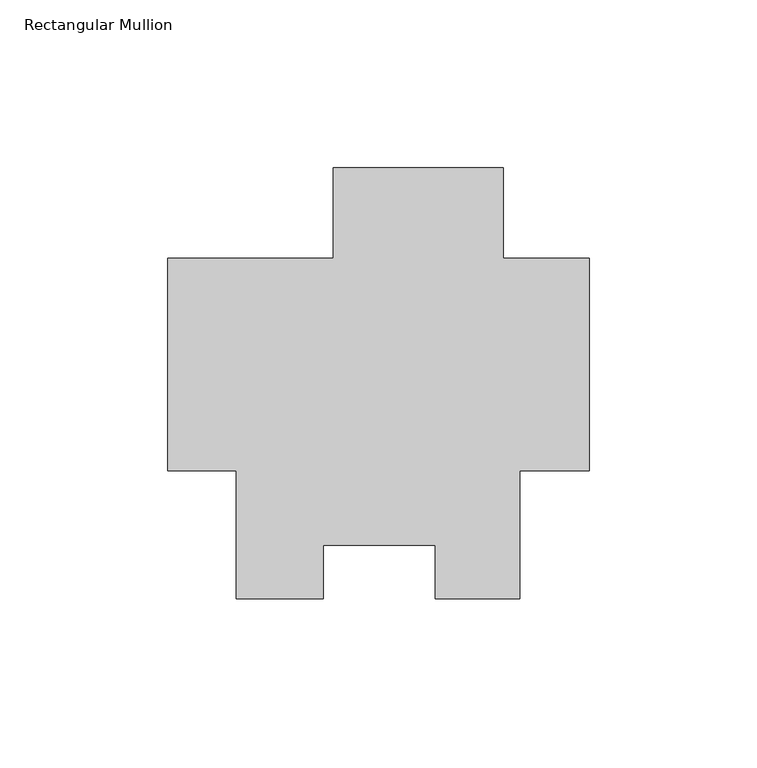
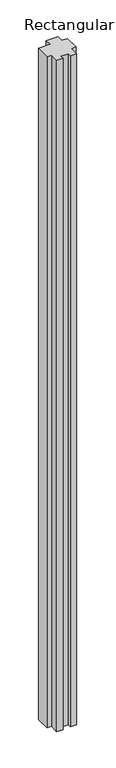
"""IFC4 building model written with IfcOpenShell, lengths in millimetres: member geometry, Rectangular Mullion."""

from ifc_helpers import new_model, si_unit, frame, origin, place, context, project, spatial, polyline, outline, extrude, source, transform, mapped, element, save


def rectangular_mullion_e875a660(model_context):
    return source(origin(), model_context, "Body", "SweptSolid", [
        extrude(outline(polyline([(-25.577927, 58.7248), (-25.577927, 31.75), (0.0, 31.75), (0.0, -31.75), (-20.6735973, -31.75), (-20.6735973, -69.85), (-45.9670891, -69.85), (-45.9670891, -53.9601034), (-79.3689318, -53.9601034), (-79.3689318, -69.8732034), (-105.2447888, -69.8732034), (-105.2447888, -31.75), (-125.7808, -31.75), (-125.7808, 31.75), (-76.377927, 31.75), (-76.377927, 58.7248), (-25.577927, 58.7248)])), frame((0.0, 0.0, -3048.0), z_axis=(0.0, 0.0, 1.0), x_axis=(1.0, 0.0, 0.0)), (0.0, 0.0, 1.0), 3048.0),
    ])


if __name__ == "__main__":
    model = new_model("IFC4")
    model_context = context("Model", 3, world=origin())
    ifc_project = project(units=[si_unit("LENGTHUNIT", "METRE", prefix="MILLI")], contexts=[model_context])
    site = spatial("IfcSite", under=ifc_project)
    building = spatial("IfcBuilding", under=site)
    placement = place(None, origin())
    rectangular_mullion_shape = rectangular_mullion_e875a660(model_context)
    element("IfcMember", 1, ObjectType="Rectangular Mullion", at=placement, inside=building, context=model_context, shape_type="MappedRepresentation", body=[
        mapped(rectangular_mullion_shape, transform((0.0, 0.0, 0.0), x_axis=(1.0, 0.0, 0.0), y_axis=(0.0, 1.0, 0.0), z_axis=(0.0, 0.0, 1.0))),
    ])
    save(model, "model.ifc")
